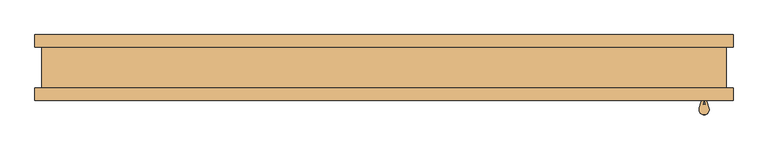
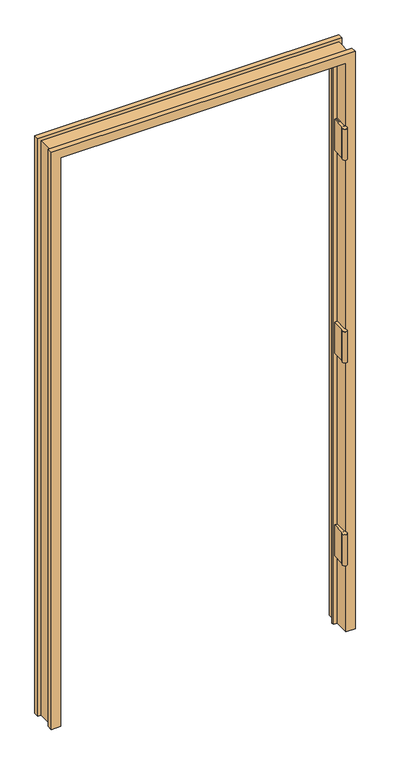
"""IFC4 building model written with IfcOpenShell, lengths in millimetres: door geometry."""

import ifcopenshell
import ifcopenshell.guid

model = None  # the IFC model being written
_history = None  # IfcOwnerHistory: only IFC2X3 demands one
_inside = {}  # id of a spatial element -> (the spatial element, [elements in it])
_under = {}  # id of a project, library or spatial element -> (it, [spatial elements below it])
_declared = {}  # id of a project -> (the project, [libraries it declares])
_typed = {}  # id of a type object -> (the type object, [elements of that type])
_made_of = {}  # id of a material, layer set ... -> (it, [elements and type objects made of it])


def new_model(schema):
    """Start an empty IFC model of exactly this schema.

    Asked for "IFC4X3", IfcOpenShell would pick the latest addendum, in which some entities
    have other attributes; the version numbers below select the first issue.
    IFC2X3 requires an IfcOwnerHistory on every rooted entity: one is made here for all.
    """
    global model, _history
    if schema == "IFC4X3":
        model = ifcopenshell.file(schema_version=(4, 3, 0, 0))
    else:
        model = ifcopenshell.file(schema=schema)
    _inside.clear()
    _under.clear()
    _declared.clear()
    _typed.clear()
    _made_of.clear()
    _history = None
    if model.schema == "IFC2X3":
        org = make("IfcOrganization", Name="unknown")
        user = make(
            "IfcPersonAndOrganization",
            ThePerson=make("IfcPerson", FamilyName="unknown"),
            TheOrganization=org,
        )
        app = make(
            "IfcApplication",
            ApplicationDeveloper=org,
            Version="unknown",
            ApplicationFullName="unknown",
            ApplicationIdentifier="unknown",
        )
        _history = make(
            "IfcOwnerHistory",
            OwningUser=user,
            OwningApplication=app,
            ChangeAction="ADDED",
            CreationDate=0,
        )
    return model


def make(cls, **values):
    """One entity of the class cls with the attributes given. An attribute that is None is left unset."""
    return model.create_entity(
        cls, **{name: value for name, value in values.items() if value is not None}
    )


def rooted(cls, **values):
    """An entity with a GlobalId (a new one), such as an element, a storey or a relation."""
    return make(cls, GlobalId=ifcopenshell.guid.new(), OwnerHistory=_history, **values)


def si_unit(unit_type, name, prefix=None):
    """IfcSIUnit, for example si_unit("LENGTHUNIT", "METRE", prefix="MILLI")."""
    return make("IfcSIUnit", UnitType=unit_type, Prefix=prefix, Name=name)


def assignment(units):
    """IfcUnitAssignment: the units of a project."""
    return None if units is None else make("IfcUnitAssignment", Units=units)


def point(xyz):
    """IfcCartesianPoint."""
    return None if xyz is None else make("IfcCartesianPoint", Coordinates=xyz)


def direction(xyz):
    """IfcDirection."""
    return None if xyz is None else make("IfcDirection", DirectionRatios=xyz)


def frame(location, z_axis=None, x_axis=None):
    """IfcAxis2Placement3D, a coordinate frame: its origin and axes. An axis left out is left unset."""
    return make(
        "IfcAxis2Placement3D",
        Location=point(location),
        Axis=direction(z_axis),
        RefDirection=direction(x_axis),
    )


def frame_2d(location, x_axis=None):
    """IfcAxis2Placement2D, a coordinate frame in the plane: its origin and x axis."""
    return make(
        "IfcAxis2Placement2D", Location=point(location), RefDirection=direction(x_axis)
    )


def origin():
    """The frame at (0, 0, 0) with its axes left unset."""
    return frame((0.0, 0.0, 0.0))


def place(relative_to, where):
    """IfcLocalPlacement: puts the frame where relative to a parent placement (None: the world)."""
    return make(
        "IfcLocalPlacement", PlacementRelTo=relative_to, RelativePlacement=where
    )


def context(
    kind, dimensions, precision=None, world=None, true_north=None, identifier=None
):
    """IfcGeometricRepresentationContext, for example the 3D "Model" context."""
    return make(
        "IfcGeometricRepresentationContext",
        ContextIdentifier=identifier,
        ContextType=kind,
        CoordinateSpaceDimension=dimensions,
        Precision=precision,
        WorldCoordinateSystem=world,
        TrueNorth=true_north,
    )


def project(units=None, contexts=None):
    """IfcProject with its units and contexts."""
    return rooted(
        "IfcProject",
        Name="project",
        RepresentationContexts=contexts,
        UnitsInContext=assignment(units),
    )


def spatial(cls, under=None, at=None, **own):
    """A site, building, storey or space (cls), placed at a placement, below another one or the project."""
    s = rooted(cls, ObjectPlacement=at, **own)
    if under is not None:
        _under.setdefault(under.id(), (under, []))[1].append(s)
    return s


def polyline(points):
    """IfcPolyline through the points."""
    return make("IfcPolyline", Points=[point(p) for p in points])


def circle_curve(where, radius):
    """IfcCircle in the frame where."""
    return make("IfcCircle", Position=where, Radius=radius)


def trimmed(basis, trim1, trim2, sense, master):
    """IfcTrimmedCurve: the piece of a basis curve between two trims."""
    return make(
        "IfcTrimmedCurve",
        BasisCurve=basis,
        Trim1=trim1,
        Trim2=trim2,
        SenseAgreement=sense,
        MasterRepresentation=master,
    )


def segment(curve, same_sense, transition):
    """IfcCompositeCurveSegment."""
    return make(
        "IfcCompositeCurveSegment",
        Transition=transition,
        SameSense=same_sense,
        ParentCurve=curve,
    )


def composite_curve(segments, self_intersect=None):
    """IfcCompositeCurve: segments joined end to end."""
    return make("IfcCompositeCurve", Segments=segments, SelfIntersect=self_intersect)


def outline(outer, holes=None, kind="AREA"):
    """IfcArbitraryClosedProfileDef: a profile drawn as a closed curve; with holes, ...WithVoids."""
    if holes is None:
        return make("IfcArbitraryClosedProfileDef", ProfileType=kind, OuterCurve=outer)
    return make(
        "IfcArbitraryProfileDefWithVoids",
        ProfileType=kind,
        OuterCurve=outer,
        InnerCurves=holes,
    )


def extrude(swept, where, along, depth):
    """IfcExtrudedAreaSolid: the profile swept, set in the frame where, extruded along a direction by depth."""
    return make(
        "IfcExtrudedAreaSolid",
        SweptArea=swept,
        Position=where,
        ExtrudedDirection=direction(along),
        Depth=depth,
    )


def faces_of(points, faces, orient=None, outer=None):
    """IfcFace entities. A face is a list of loops; a loop is a list of indices into points, from 0.

    orient and outer hold one flag for each loop. By default every Orientation is true, the
    first loop of a face is its IfcFaceOuterBound and the others are IfcFaceBound.
    """
    made = []
    for i, loops in enumerate(faces):
        bounds = []
        for j, loop in enumerate(loops):
            is_outer = j == 0 if outer is None else outer[i][j]
            bounds.append(
                make(
                    "IfcFaceOuterBound" if is_outer else "IfcFaceBound",
                    Bound=make("IfcPolyLoop", Polygon=[points[k] for k in loop]),
                    Orientation=True if orient is None else orient[i][j],
                )
            )
        made.append(make("IfcFace", Bounds=bounds))
    return made


def faceted_brep(points, faces, orient=None, outer=None, voids=None):
    """IfcFacetedBrep: a solid bounded by flat faces; with voids (closed shells), ...WithVoids."""
    shared = [point(p) for p in points]
    hull = make("IfcClosedShell", CfsFaces=faces_of(shared, faces, orient, outer))
    if voids is None:
        return make("IfcFacetedBrep", Outer=hull)
    return make(
        "IfcFacetedBrepWithVoids",
        Outer=hull,
        Voids=[
            make(cls, CfsFaces=faces_of(shared, fs, o, b)) for cls, fs, o, b in voids
        ],
    )


def shape(context_of_items, identifier, shape_type, items):
    """IfcShapeRepresentation: the items that make up one representation, for example the "Body"."""
    return make(
        "IfcShapeRepresentation",
        ContextOfItems=context_of_items,
        RepresentationIdentifier=identifier,
        RepresentationType=shape_type,
        Items=items,
    )


def source(mapping_origin, context_of_items, identifier, shape_type, items):
    """IfcRepresentationMap: a shape defined once, which mapped items show again and again."""
    return make(
        "IfcRepresentationMap",
        MappingOrigin=mapping_origin,
        MappedRepresentation=shape(context_of_items, identifier, shape_type, items),
    )


def transform(
    local_origin,
    x_axis=None,
    y_axis=None,
    z_axis=None,
    scale=None,
    scale2=None,
    scale3=None,
    uniform=True,
):
    """IfcCartesianTransformationOperator3D, or its non-uniform kind. x_axis, y_axis, z_axis: its Axis1, 2, 3."""
    if uniform:
        return make(
            "IfcCartesianTransformationOperator3D",
            Axis1=direction(x_axis),
            Axis2=direction(y_axis),
            LocalOrigin=point(local_origin),
            Scale=scale,
            Axis3=direction(z_axis),
        )
    return make(
        "IfcCartesianTransformationOperator3DnonUniform",
        Axis1=direction(x_axis),
        Axis2=direction(y_axis),
        LocalOrigin=point(local_origin),
        Scale=scale,
        Axis3=direction(z_axis),
        Scale2=scale2,
        Scale3=scale3,
    )


def mapped(mapping_source, mapping_target):
    """IfcMappedItem: shows the shape of a source again, moved by a transform."""
    return make(
        "IfcMappedItem", MappingSource=mapping_source, MappingTarget=mapping_target
    )


def made_of(thing, what):
    """Note that an element or type object is made of a material, layer set ...; save() writes the relation."""
    if what is not None:
        _made_of.setdefault(what.id(), (what, []))[1].append(thing)
    return thing


def element(
    cls,
    number,
    at=None,
    inside=None,
    cuts=None,
    type_object=None,
    material=None,
    context=None,
    identifier="Body",
    shape_type=None,
    held_by="IfcProductDefinitionShape",
    body=None,
    shapes=None,
    **own,
):
    """One element of the class cls, such as IfcWall. Its Tag is "e" and its number.

    at: its placement. inside: the storey or other place that contains it. cuts: it is an
    opening in that element (IfcRelVoidsElement). A single representation is given by context,
    identifier, shape_type and body (its items); several are given by shapes. held_by: the class
    of the entity that holds the representations. save() writes the other relations.
    """
    e = rooted(cls, Tag="e%d" % number, ObjectPlacement=at, **own)
    if body is not None:
        shapes = [shape(context, identifier, shape_type, body)]
    if shapes is not None:
        e.Representation = make(held_by, Representations=shapes)
    if inside is not None:
        _inside.setdefault(inside.id(), (inside, []))[1].append(e)
    if cuts is not None:
        rooted(
            "IfcRelVoidsElement", RelatingBuildingElement=cuts, RelatedOpeningElement=e
        )
    if type_object is not None:
        _typed.setdefault(type_object.id(), (type_object, []))[1].append(e)
    return made_of(e, material)


def aggregate(whole, parts):
    """IfcRelAggregates: a whole, such as a stair, and the parts it consists of."""
    return rooted("IfcRelAggregates", RelatingObject=whole, RelatedObjects=parts)


def save(model, path):
    """Write the relations noted so far, then the file.

    IfcRelAggregates (storeys below a building ...), IfcRelContainedInSpatialStructure (elements
    in a storey), IfcRelDefinesByType, IfcRelAssociatesMaterial and IfcRelDeclares: one each for
    every whole, place, type object, material and project.
    """
    for whole, parts in _under.values():
        aggregate(whole, parts)
    for where, things in _inside.values():
        rooted(
            "IfcRelContainedInSpatialStructure",
            RelatedElements=things,
            RelatingStructure=where,
        )
    for kind, things in _typed.values():
        rooted("IfcRelDefinesByType", RelatedObjects=things, RelatingType=kind)
    for what, things in _made_of.values():
        rooted("IfcRelAssociatesMaterial", RelatedObjects=things, RelatingMaterial=what)
    for by, libraries in _declared.values():
        rooted("IfcRelDeclares", RelatingContext=by, RelatedDefinitions=libraries)
    model.write(path)


def door_9c254866(model_context):
    return source(origin(), model_context, "Body", "SolidModel", [
        faceted_brep([(-498.6782, -50.0254003, 0.0), (-531.3172, -50.0254003, 0.0), (-531.3172, -31.4833003, 0.0), (-520.7, -31.4833003, 0.0), (-520.7, 31.4833003, 0.0), (-531.3172, 31.4833003, 0.0), (-531.3172, 50.0254003, 0.0), (-498.6782, 50.0254003, 0.0), (-498.6782, 10.8710997, 0.0), (-485.7242, 10.8710997, 0.0), (-485.7242, 2.5906997, 0.0), (-498.6782, 2.5906997, 0.0), (498.6782, -50.0254003, 0.0), (498.6782, 2.5906997, 0.0), (485.7242, 2.5906997, 0.0), (485.7242, 10.8710997, 0.0), (498.6782, 10.8710997, 0.0), (498.6782, 50.0254003, 0.0), (531.3172, 50.0254003, 0.0), (531.3172, 31.4833003, 0.0), (520.7, 31.4833003, 0.0), (520.7, -31.4833003, 0.0), (531.3172, -31.4833003, 0.0), (531.3172, -50.0254003, 0.0), (-498.6782, 2.5906997, 2100.5725997), (-498.6782, -50.0254003, 2100.5725997), (-485.7242, 2.5906997, 2087.6185997), (485.7242, 2.5906997, 2087.6185997), (498.6782, 2.5906997, 2100.5725997), (-485.7242, 10.8710997, 2087.6185997), (-498.6782, 10.8710997, 2100.5725997), (498.6782, 10.8710997, 2100.5725997), (485.7242, 10.8710997, 2087.6185997), (-498.6782, 50.0254003, 2100.5725997), (-531.3172, 50.0254003, 2133.2115997), (531.3172, 50.0254003, 2133.2115997), (498.6782, 50.0254003, 2100.5725997), (-531.3172, 31.4833003, 2133.2115997), (-520.7, 31.4833003, 2122.5943997), (520.7, 31.4833003, 2122.5943997), (531.3172, 31.4833003, 2133.2115997), (-520.7, -31.4833003, 2122.5943997), (-531.3172, -31.4833003, 2133.2115997), (531.3172, -31.4833003, 2133.2115997), (520.7, -31.4833003, 2122.5943997), (-531.3172, -50.0254003, 2133.2115997), (498.6782, -50.0254003, 2100.5725997), (531.3172, -50.0254003, 2133.2115997)], [[[0, 1, 2, 3, 4, 5, 6, 7, 8, 9, 10, 11]], [[12, 13, 14, 15, 16, 17, 18, 19, 20, 21, 22, 23]], [[11, 24, 25, 0]], [[10, 26, 27, 14, 13, 28, 24, 11]], [[9, 29, 26, 10]], [[8, 30, 31, 16, 15, 32, 29, 9]], [[7, 33, 30, 8]], [[6, 34, 35, 18, 17, 36, 33, 7]], [[5, 37, 34, 6]], [[4, 38, 39, 20, 19, 40, 37, 5]], [[3, 41, 38, 4]], [[2, 42, 43, 22, 21, 44, 41, 3]], [[1, 45, 42, 2]], [[0, 25, 46, 12, 23, 47, 45, 1]], [[24, 28, 46, 25]], [[29, 32, 27, 26]], [[33, 36, 31, 30]], [[37, 40, 35, 34]], [[41, 44, 39, 38]], [[45, 47, 43, 42]], [[28, 13, 12, 46]], [[32, 15, 14, 27]], [[36, 17, 16, 31]], [[40, 19, 18, 35]], [[44, 21, 20, 39]], [[47, 23, 22, 43]]]),
        extrude(outline(composite_curve([segment(polyline([(483.0699, -51.4224003), (483.0699, -10.1474003), (486.4735, -10.1474003), (486.4735, -51.9241411), (485.0107341, -56.7777214)]), True, "CONTINUOUS"), segment(trimmed(circle_curve(frame_2d((487.26725, -64.1224003)), 7.6835), [point((485.0107341, -56.7777214))], [point((489.5237659, -56.7777214))], False, "CARTESIAN"), True, "CONTINUOUS"), segment(polyline([(489.5237659, -56.7777214), (488.061, -51.9241411), (488.061, -10.1474003), (491.4646, -10.1474003), (491.4646, -51.4224003), (494.6239108, -61.9052592)]), True, "CONTINUOUS"), segment(trimmed(circle_curve(frame_2d((487.26725, -64.1224003)), 7.6835), [point((494.6239108, -61.9052592))], [point((479.9105892, -61.9052592))], False, "CARTESIAN"), True, "CONTINUOUS"), segment(polyline([(479.9105892, -61.9052592), (483.0699, -51.4224003)]), True, "CONTINUOUS")], self_intersect=False)), frame((0.0, 0.0, 261.90585), z_axis=(0.0, 0.0, 1.0), x_axis=(1.0, 0.0, 0.0)), (0.0, 0.0, 1.0), 114.3),
        extrude(outline(composite_curve([segment(polyline([(483.0699, -51.4224003), (483.0699, -10.1474003), (486.4735, -10.1474003), (486.4735, -51.9241411), (485.0107341, -56.7777214)]), True, "CONTINUOUS"), segment(trimmed(circle_curve(frame_2d((487.26725, -64.1224003)), 7.6835), [point((485.0107341, -56.7777214))], [point((489.5237659, -56.7777214))], False, "CARTESIAN"), True, "CONTINUOUS"), segment(polyline([(489.5237659, -56.7777214), (488.061, -51.9241411), (488.061, -10.1474003), (491.4646, -10.1474003), (491.4646, -51.4224003), (494.6239108, -61.9052592)]), True, "CONTINUOUS"), segment(trimmed(circle_curve(frame_2d((487.26725, -64.1224003)), 7.6835), [point((494.6239108, -61.9052592))], [point((479.9105892, -61.9052592))], False, "CARTESIAN"), True, "CONTINUOUS"), segment(polyline([(479.9105892, -61.9052592), (483.0699, -51.4224003)]), True, "CONTINUOUS")], self_intersect=False)), frame((0.0, 0.0, 1011.2375), z_axis=(0.0, 0.0, 1.0), x_axis=(1.0, 0.0, 0.0)), (0.0, 0.0, 1.0), 114.3),
        extrude(outline(composite_curve([segment(polyline([(483.0699, -51.4224003), (483.0699, -10.1474003), (486.4735, -10.1474003), (486.4735, -51.9241411), (485.0107341, -56.7777214)]), True, "CONTINUOUS"), segment(trimmed(circle_curve(frame_2d((487.26725, -64.1224003)), 7.6835), [point((485.0107341, -56.7777214))], [point((489.5237659, -56.7777214))], False, "CARTESIAN"), True, "CONTINUOUS"), segment(polyline([(489.5237659, -56.7777214), (488.061, -51.9241411), (488.061, -10.1474003), (491.4646, -10.1474003), (491.4646, -51.4224003), (494.6239108, -61.9052592)]), True, "CONTINUOUS"), segment(trimmed(circle_curve(frame_2d((487.26725, -64.1224003)), 7.6835), [point((494.6239108, -61.9052592))], [point((479.9105892, -61.9052592))], False, "CARTESIAN"), True, "CONTINUOUS"), segment(polyline([(479.9105892, -61.9052592), (483.0699, -51.4224003)]), True, "CONTINUOUS")], self_intersect=False)), frame((0.0, 0.0, 1760.5756), z_axis=(0.0, 0.0, 1.0), x_axis=(1.0, 0.0, 0.0)), (0.0, 0.0, 1.0), 114.3),
    ])


if __name__ == "__main__":
    model = new_model("IFC4")
    model_context = context("Model", 3, world=origin())
    ifc_project = project(units=[si_unit("LENGTHUNIT", "METRE", prefix="MILLI")], contexts=[model_context])
    site = spatial("IfcSite", under=ifc_project)
    building = spatial("IfcBuilding", under=site)
    placement = place(None, origin())
    door_shape = door_9c254866(model_context)
    element("IfcDoor", 1, at=placement, inside=building, context=model_context, shape_type="MappedRepresentation", body=[
        mapped(door_shape, transform((0.0, 0.0, 0.0), x_axis=(1.0, 0.0, 0.0), y_axis=(0.0, 1.0, 0.0), z_axis=(0.0, 0.0, 1.0))),
    ])
    save(model, "model.ifc")
